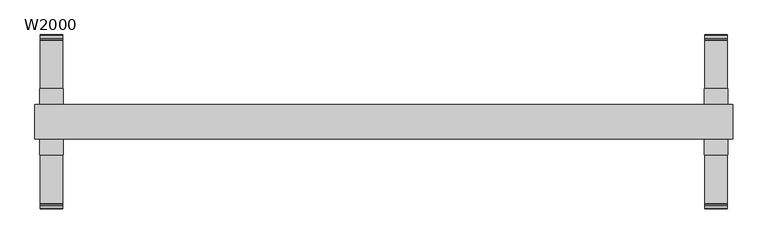
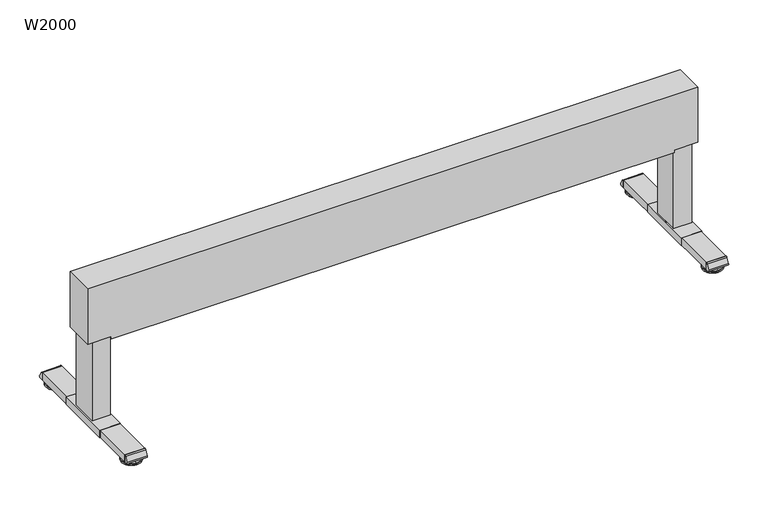
"""IFC4 building model written with IfcOpenShell, lengths in millimetres: furniture geometry, W2000."""

from ifc_helpers import new_model, si_unit, point, frame, frame_2d, origin, place, context, project, spatial, polyline, circle_curve, trimmed, segment, composite_curve, outline, extrude, source, transform, mapped, element, save
from ifc_brep_helpers import plane_surface, cylinder_surface, revolved_surface, advanced_brep


def w2000_fd5ed06e(model_context):
    return source(origin(), model_context, "Body", "SolidModel", [
        extrude(outline(polyline([(81.0, -95.0), (14.0, -95.0), (14.0, 95.0), (81.0, 95.0), (81.0, -95.0)])), frame((0.0, 0.0, 13.4998704), z_axis=(0.0, 0.0, 1.0), x_axis=(1.0, 0.0, 0.0)), (0.0, 0.0, 1.0), 26.0001114),
        extrude(outline(polyline([(1986.0, -95.0), (1919.0, -95.0), (1919.0, 95.0), (1986.0, 95.0), (1986.0, -95.0)])), frame((0.0, 0.0, 13.4998704), z_axis=(0.0, 0.0, 1.0), x_axis=(1.0, 0.0, 0.0)), (0.0, 0.0, 1.0), 26.0001114),
        extrude(outline(composite_curve([segment(polyline([(-235.0, 13.4998704), (-244.6135226, 13.4998704)]), True, "CONTINUOUS"), segment(trimmed(circle_curve(frame_2d((-244.6135226, 18.4998704)), 5.0), [point((-244.6135226, 13.4998704))], [point((-248.9439076, 20.9994236))], False, "CARTESIAN"), True, "CONTINUOUS"), segment(polyline([(-248.9439076, 20.9994236), (-240.2856529, 35.999535)]), True, "CONTINUOUS"), segment(trimmed(circle_curve(frame_2d((-235.9552679, 33.4999819)), 5.0), [point((-240.2856529, 35.999535))], [point((-235.9552679, 38.4999819))], False, "CARTESIAN"), True, "CONTINUOUS"), segment(polyline([(-235.9552679, 38.4999819), (-235.0, 38.4999819), (-235.0, 13.4998704)]), True, "CONTINUOUS")], self_intersect=False)), frame((1920.0, 0.0, 0.0), z_axis=(1.0, 0.0, 0.0), x_axis=(0.0, 1.0, 0.0)), (0.0, 0.0, 1.0), 65.0),
        extrude(outline(composite_curve([segment(polyline([(235.0, 13.4998704), (235.0, 38.4999819), (235.9552679, 38.4999819)]), True, "CONTINUOUS"), segment(trimmed(circle_curve(frame_2d((235.9552679, 33.4999819)), 5.0), [point((235.9552679, 38.4999819))], [point((240.2856529, 35.999535))], False, "CARTESIAN"), True, "CONTINUOUS"), segment(polyline([(240.2856529, 35.999535), (248.9439076, 20.9994236)]), True, "CONTINUOUS"), segment(trimmed(circle_curve(frame_2d((244.6135226, 18.4998704)), 5.0), [point((248.9439076, 20.9994236))], [point((244.6135226, 13.4998704))], False, "CARTESIAN"), True, "CONTINUOUS"), segment(polyline([(244.6135226, 13.4998704), (235.0, 13.4998704)]), True, "CONTINUOUS")], self_intersect=False)), frame((1920.0, 0.0, 0.0), z_axis=(1.0, 0.0, 0.0), x_axis=(0.0, 1.0, 0.0)), (0.0, 0.0, 1.0), 65.0),
        advanced_brep(
        [(1952.5, -215.0, 13.4998704), (1952.5, -207.5, 13.4998704), (1952.5, -222.5, 13.4998704), (1952.5, -207.5, 11.4998704), (1952.5, -222.5, 11.4998704), (1952.5, -205.0071288, 9.0069993), (1952.5, -224.9928712, 9.0069993), (1952.5, -183.4111807, 7.0812515), (1952.5, -246.5888193, 7.0812515), (1952.5, -182.5, 6.0852038), (1952.5, -247.5, 6.0852038), (1952.5, -182.5, 1.0), (1952.5, -247.5, 1.0), (1952.5, -183.5, 0.0), (1952.5, -246.5, 0.0), (1952.5, -215.0, 0.0)],
        [
            (0, 1),
            (1, 2, circle_curve(frame((1952.5, -215.0, 13.4998704), z_axis=(0.0, 0.0, 1.0), x_axis=(0.0, 1.0, 0.0)), 7.5)),
            (2, 0),
            (2, 1, circle_curve(frame((1952.5, -215.0, 13.4998704), z_axis=(0.0, 0.0, 1.0), x_axis=(0.0, 1.0, 0.0)), 7.5)),
            (1, 3),
            (3, 4, circle_curve(frame((1952.5, -215.0, 11.4998704), z_axis=(0.0, 0.0, 1.0), x_axis=(0.0, 1.0, 0.0)), 7.5)),
            (4, 2),
            (4, 3, circle_curve(frame((1952.5, -215.0, 11.4998704), z_axis=(0.0, 0.0, 1.0), x_axis=(0.0, 1.0, 0.0)), 7.5)),
            (3, 5),
            (5, 6, circle_curve(frame((1952.5, -215.0, 9.0069993), z_axis=(0.0, 0.0, 1.0), x_axis=(0.0, 1.0, 0.0)), 9.9928712)),
            (6, 4),
            (6, 5, circle_curve(frame((1952.5, -215.0, 9.0069993), z_axis=(0.0, 0.0, 1.0), x_axis=(0.0, 1.0, 0.0)), 9.9928712)),
            (5, 7),
            (7, 8, circle_curve(frame((1952.5, -215.0, 7.0812515), z_axis=(0.0, 0.0, 1.0), x_axis=(0.0, 1.0, 0.0)), 31.5888193)),
            (8, 6),
            (8, 7, circle_curve(frame((1952.5, -215.0, 7.0812515), z_axis=(0.0, 0.0, 1.0), x_axis=(0.0, 1.0, 0.0)), 31.5888193)),
            (7, 9),
            (9, 10, circle_curve(frame((1952.5, -215.0, 6.0852038), z_axis=(0.0, 0.0, 1.0), x_axis=(0.0, 1.0, 0.0)), 32.5)),
            (10, 8),
            (10, 9, circle_curve(frame((1952.5, -215.0, 6.0852038), z_axis=(0.0, 0.0, 1.0), x_axis=(0.0, 1.0, 0.0)), 32.5)),
            (9, 11),
            (11, 12, circle_curve(frame((1952.5, -215.0, 1.0), z_axis=(0.0, 0.0, 1.0), x_axis=(0.0, 1.0, 0.0)), 32.5)),
            (12, 10),
            (12, 11, circle_curve(frame((1952.5, -215.0, 1.0), z_axis=(0.0, 0.0, 1.0), x_axis=(0.0, 1.0, 0.0)), 32.5)),
            (11, 13),
            (13, 14, circle_curve(frame((1952.5, -215.0, 0.0), z_axis=(0.0, 0.0, 1.0), x_axis=(0.0, 1.0, 0.0)), 31.5)),
            (14, 12),
            (14, 13, circle_curve(frame((1952.5, -215.0, 0.0), z_axis=(0.0, 0.0, 1.0), x_axis=(0.0, 1.0, 0.0)), 31.5)),
            (13, 15),
            (15, 14),
        ],
        [
            plane_surface(frame((1952.5, -215.0, 13.4998704), z_axis=(0.0, 0.0, 1.0), x_axis=(0.0, 1.0, 0.0))),
            cylinder_surface(frame((1952.5, -215.0, -1.9309494), z_axis=(0.0, 0.0, 1.0), x_axis=(0.0, 1.0, 0.0)), 7.5),
            revolved_surface(polyline([(1952.5, -205.0071288, 9.0069993), (1952.5, -207.5, 11.4998704)]), (1952.5, -215.0, -1.9309494), (0.0, 0.0, 1.0)),
            revolved_surface(polyline([(1952.5, -183.4111807, 7.0812515), (1952.5, -205.0071288, 9.0069993)]), (1952.5, -215.0, -1.9309494), (0.0, 0.0, 1.0)),
            revolved_surface(polyline([(1952.5, -182.5, 6.0852038), (1952.5, -183.4111807, 7.0812515)]), (1952.5, -215.0, -1.9309494), (0.0, 0.0, 1.0)),
            cylinder_surface(frame((1952.5, -215.0, -1.9309494), z_axis=(0.0, 0.0, 1.0), x_axis=(0.0, 1.0, 0.0)), 32.5),
            revolved_surface(polyline([(1952.5, -183.5, 0.0), (1952.5, -182.5, 1.0)]), (1952.5, -215.0, -1.9309494), (0.0, 0.0, 1.0)),
            plane_surface(frame((1952.5, -215.0, 0.0), z_axis=(0.0, 0.0, -1.0), x_axis=(0.0, 1.0, 0.0))),
        ],
        [
            (0, [[1, 2, 3]]),
            (0, [[-3, 4, -1]]),
            (1, [[-2, 5, 6, 7]]),
            (1, [[-4, -7, 8, -5]]),
            (2, [[-6, 9, 10, 11]]),
            (2, [[-8, -11, 12, -9]]),
            (3, [[-10, 13, 14, 15]]),
            (3, [[-12, -15, 16, -13]]),
            (4, [[-14, 17, 18, 19]]),
            (4, [[-16, -19, 20, -17]]),
            (5, [[-18, 21, 22, 23]]),
            (5, [[-20, -23, 24, -21]]),
            (6, [[-22, 25, 26, 27]]),
            (6, [[-24, -27, 28, -25]]),
            (7, [[-26, 29, 30]]),
            (7, [[-28, -30, -29]]),
        ],
    ),
        advanced_brep(
        [(1952.5, 222.5, 13.4998704), (1952.5, 207.5, 13.4998704), (1952.5, 215.0, 13.4998704), (1952.5, 222.5, 11.4998704), (1952.5, 207.5, 11.4998704), (1952.5, 224.9928712, 9.0069993), (1952.5, 205.0071288, 9.0069993), (1952.5, 246.5888193, 7.0812515), (1952.5, 183.4111807, 7.0812515), (1952.5, 247.5, 6.0852038), (1952.5, 182.5, 6.0852038), (1952.5, 247.5, 1.0), (1952.5, 182.5, 1.0), (1952.5, 246.5, 0.0), (1952.5, 183.5, 0.0), (1952.5, 215.0, 0.0)],
        [
            (0, 1, circle_curve(frame((1952.5, 215.0, 13.4998704), z_axis=(0.0, 0.0, 1.0), x_axis=(0.0, -1.0, 0.0)), 7.5)),
            (1, 2),
            (2, 0),
            (1, 0, circle_curve(frame((1952.5, 215.0, 13.4998704), z_axis=(0.0, 0.0, 1.0), x_axis=(0.0, -1.0, 0.0)), 7.5)),
            (3, 4, circle_curve(frame((1952.5, 215.0, 11.4998704), z_axis=(0.0, 0.0, 1.0), x_axis=(0.0, -1.0, 0.0)), 7.5)),
            (4, 1),
            (0, 3),
            (4, 3, circle_curve(frame((1952.5, 215.0, 11.4998704), z_axis=(0.0, 0.0, 1.0), x_axis=(0.0, -1.0, 0.0)), 7.5)),
            (5, 6, circle_curve(frame((1952.5, 215.0, 9.0069993), z_axis=(0.0, 0.0, 1.0), x_axis=(0.0, -1.0, 0.0)), 9.9928712)),
            (6, 4),
            (3, 5),
            (6, 5, circle_curve(frame((1952.5, 215.0, 9.0069993), z_axis=(0.0, 0.0, 1.0), x_axis=(0.0, -1.0, 0.0)), 9.9928712)),
            (7, 8, circle_curve(frame((1952.5, 215.0, 7.0812515), z_axis=(0.0, 0.0, 1.0), x_axis=(0.0, -1.0, 0.0)), 31.5888193)),
            (8, 6),
            (5, 7),
            (8, 7, circle_curve(frame((1952.5, 215.0, 7.0812515), z_axis=(0.0, 0.0, 1.0), x_axis=(0.0, -1.0, 0.0)), 31.5888193)),
            (9, 10, circle_curve(frame((1952.5, 215.0, 6.0852038), z_axis=(0.0, 0.0, 1.0), x_axis=(0.0, -1.0, 0.0)), 32.5)),
            (10, 8),
            (7, 9),
            (10, 9, circle_curve(frame((1952.5, 215.0, 6.0852038), z_axis=(0.0, 0.0, 1.0), x_axis=(0.0, -1.0, 0.0)), 32.5)),
            (11, 12, circle_curve(frame((1952.5, 215.0, 1.0), z_axis=(0.0, 0.0, 1.0), x_axis=(0.0, -1.0, 0.0)), 32.5)),
            (12, 10),
            (9, 11),
            (12, 11, circle_curve(frame((1952.5, 215.0, 1.0), z_axis=(0.0, 0.0, 1.0), x_axis=(0.0, -1.0, 0.0)), 32.5)),
            (13, 14, circle_curve(frame((1952.5, 215.0, 0.0), z_axis=(0.0, 0.0, 1.0), x_axis=(0.0, -1.0, 0.0)), 31.5)),
            (14, 12),
            (11, 13),
            (14, 13, circle_curve(frame((1952.5, 215.0, 0.0), z_axis=(0.0, 0.0, 1.0), x_axis=(0.0, -1.0, 0.0)), 31.5)),
            (15, 14),
            (13, 15),
        ],
        [
            plane_surface(frame((1952.5, 215.0, 13.4998704), z_axis=(0.0, 0.0, 1.0), x_axis=(0.0, -1.0, 0.0))),
            cylinder_surface(frame((1952.5, 215.0, -1.9309494), z_axis=(0.0, 0.0, -1.0), x_axis=(0.0, -1.0, 0.0)), 7.5),
            revolved_surface(polyline([(1952.5, 207.5, 11.4998704), (1952.5, 205.0071288, 9.0069993)]), (1952.5, 215.0, -1.9309494), (0.0, 0.0, -1.0)),
            revolved_surface(polyline([(1952.5, 205.0071288, 9.0069993), (1952.5, 183.4111807, 7.0812515)]), (1952.5, 215.0, -1.9309494), (0.0, 0.0, -1.0)),
            revolved_surface(polyline([(1952.5, 183.4111807, 7.0812515), (1952.5, 182.5, 6.0852038)]), (1952.5, 215.0, -1.9309494), (0.0, 0.0, -1.0)),
            cylinder_surface(frame((1952.5, 215.0, -1.9309494), z_axis=(0.0, 0.0, -1.0), x_axis=(0.0, -1.0, 0.0)), 32.5),
            revolved_surface(polyline([(1952.5, 182.5, 1.0), (1952.5, 183.5, 0.0)]), (1952.5, 215.0, -1.9309494), (0.0, 0.0, -1.0)),
            plane_surface(frame((1952.5, 215.0, 0.0), z_axis=(0.0, 0.0, -1.0), x_axis=(0.0, -1.0, 0.0))),
        ],
        [
            (0, [[1, 2, 3]]),
            (0, [[4, -3, -2]]),
            (1, [[5, 6, -1, 7]]),
            (1, [[8, -7, -4, -6]]),
            (2, [[9, 10, -5, 11]]),
            (2, [[12, -11, -8, -10]]),
            (3, [[13, 14, -9, 15]]),
            (3, [[16, -15, -12, -14]]),
            (4, [[17, 18, -13, 19]]),
            (4, [[20, -19, -16, -18]]),
            (5, [[21, 22, -17, 23]]),
            (5, [[24, -23, -20, -22]]),
            (6, [[25, 26, -21, 27]]),
            (6, [[28, -27, -24, -26]]),
            (7, [[29, -25, 30]]),
            (7, [[-30, -28, -29]]),
        ],
    ),
        extrude(outline(composite_curve([segment(polyline([(-235.0, 13.4998704), (-244.6135226, 13.4998704)]), True, "CONTINUOUS"), segment(trimmed(circle_curve(frame_2d((-244.6135226, 18.4998704)), 5.0), [point((-244.6135226, 13.4998704))], [point((-248.9439076, 20.9994236))], False, "CARTESIAN"), True, "CONTINUOUS"), segment(polyline([(-248.9439076, 20.9994236), (-240.2856529, 35.999535)]), True, "CONTINUOUS"), segment(trimmed(circle_curve(frame_2d((-235.9552679, 33.4999819)), 5.0), [point((-240.2856529, 35.999535))], [point((-235.9552679, 38.4999819))], False, "CARTESIAN"), True, "CONTINUOUS"), segment(polyline([(-235.9552679, 38.4999819), (-235.0, 38.4999819), (-235.0, 13.4998704)]), True, "CONTINUOUS")], self_intersect=False)), frame((15.0, 0.0, 0.0), z_axis=(1.0, 0.0, 0.0), x_axis=(0.0, 1.0, 0.0)), (0.0, 0.0, 1.0), 65.0),
        extrude(outline(composite_curve([segment(polyline([(235.0, 13.4998704), (235.0, 38.4999819), (235.9552679, 38.4999819)]), True, "CONTINUOUS"), segment(trimmed(circle_curve(frame_2d((235.9552679, 33.4999819)), 5.0), [point((235.9552679, 38.4999819))], [point((240.2856529, 35.999535))], False, "CARTESIAN"), True, "CONTINUOUS"), segment(polyline([(240.2856529, 35.999535), (248.9439076, 20.9994236)]), True, "CONTINUOUS"), segment(trimmed(circle_curve(frame_2d((244.6135226, 18.4998704)), 5.0), [point((248.9439076, 20.9994236))], [point((244.6135226, 13.4998704))], False, "CARTESIAN"), True, "CONTINUOUS"), segment(polyline([(244.6135226, 13.4998704), (235.0, 13.4998704)]), True, "CONTINUOUS")], self_intersect=False)), frame((15.0, 0.0, 0.0), z_axis=(1.0, 0.0, 0.0), x_axis=(0.0, 1.0, 0.0)), (0.0, 0.0, 1.0), 65.0),
        advanced_brep(
        [(47.5, -222.5, 13.4998704), (47.5, -207.5, 13.4998704), (47.5, -215.0, 13.4998704), (47.5, -222.5, 11.4998704), (47.5, -207.5, 11.4998704), (47.5, -224.9928712, 9.0069993), (47.5, -205.0071288, 9.0069993), (47.5, -246.5888193, 7.0812515), (47.5, -183.4111807, 7.0812515), (47.5, -247.5, 6.0852038), (47.5, -182.5, 6.0852038), (47.5, -247.5, 1.0), (47.5, -182.5, 1.0), (47.5, -246.5, 0.0), (47.5, -183.5, 0.0), (47.5, -215.0, 0.0)],
        [
            (0, 1, circle_curve(frame((47.5, -215.0, 13.4998704), z_axis=(0.0, 0.0, 1.0), x_axis=(0.0, 1.0, 0.0)), 7.5)),
            (1, 2),
            (2, 0),
            (1, 0, circle_curve(frame((47.5, -215.0, 13.4998704), z_axis=(0.0, 0.0, 1.0), x_axis=(0.0, 1.0, 0.0)), 7.5)),
            (3, 4, circle_curve(frame((47.5, -215.0, 11.4998704), z_axis=(0.0, 0.0, 1.0), x_axis=(0.0, 1.0, 0.0)), 7.5)),
            (4, 1),
            (0, 3),
            (4, 3, circle_curve(frame((47.5, -215.0, 11.4998704), z_axis=(0.0, 0.0, 1.0), x_axis=(0.0, 1.0, 0.0)), 7.5)),
            (5, 6, circle_curve(frame((47.5, -215.0, 9.0069993), z_axis=(0.0, 0.0, 1.0), x_axis=(0.0, 1.0, 0.0)), 9.9928712)),
            (6, 4),
            (3, 5),
            (6, 5, circle_curve(frame((47.5, -215.0, 9.0069993), z_axis=(0.0, 0.0, 1.0), x_axis=(0.0, 1.0, 0.0)), 9.9928712)),
            (7, 8, circle_curve(frame((47.5, -215.0, 7.0812515), z_axis=(0.0, 0.0, 1.0), x_axis=(0.0, 1.0, 0.0)), 31.5888193)),
            (8, 6),
            (5, 7),
            (8, 7, circle_curve(frame((47.5, -215.0, 7.0812515), z_axis=(0.0, 0.0, 1.0), x_axis=(0.0, 1.0, 0.0)), 31.5888193)),
            (9, 10, circle_curve(frame((47.5, -215.0, 6.0852038), z_axis=(0.0, 0.0, 1.0), x_axis=(0.0, 1.0, 0.0)), 32.5)),
            (10, 8),
            (7, 9),
            (10, 9, circle_curve(frame((47.5, -215.0, 6.0852038), z_axis=(0.0, 0.0, 1.0), x_axis=(0.0, 1.0, 0.0)), 32.5)),
            (11, 12, circle_curve(frame((47.5, -215.0, 1.0), z_axis=(0.0, 0.0, 1.0), x_axis=(0.0, 1.0, 0.0)), 32.5)),
            (12, 10),
            (9, 11),
            (12, 11, circle_curve(frame((47.5, -215.0, 1.0), z_axis=(0.0, 0.0, 1.0), x_axis=(0.0, 1.0, 0.0)), 32.5)),
            (13, 14, circle_curve(frame((47.5, -215.0, 0.0), z_axis=(0.0, 0.0, 1.0), x_axis=(0.0, 1.0, 0.0)), 31.5)),
            (14, 12),
            (11, 13),
            (14, 13, circle_curve(frame((47.5, -215.0, 0.0), z_axis=(0.0, 0.0, 1.0), x_axis=(0.0, 1.0, 0.0)), 31.5)),
            (15, 14),
            (13, 15),
        ],
        [
            plane_surface(frame((47.5, -215.0, 13.4998704), z_axis=(0.0, 0.0, 1.0), x_axis=(0.0, 1.0, 0.0))),
            cylinder_surface(frame((47.5, -215.0, -1.9309494), z_axis=(0.0, 0.0, -1.0), x_axis=(0.0, 1.0, 0.0)), 7.5),
            revolved_surface(polyline([(47.5, -207.5, 11.4998704), (47.5, -205.0071288, 9.0069993)]), (47.5, -215.0, -1.9309494), (0.0, 0.0, -1.0)),
            revolved_surface(polyline([(47.5, -205.0071288, 9.0069993), (47.5, -183.4111807, 7.0812515)]), (47.5, -215.0, -1.9309494), (0.0, 0.0, -1.0)),
            revolved_surface(polyline([(47.5, -183.4111807, 7.0812515), (47.5, -182.5, 6.0852038)]), (47.5, -215.0, -1.9309494), (0.0, 0.0, -1.0)),
            cylinder_surface(frame((47.5, -215.0, -1.9309494), z_axis=(0.0, 0.0, -1.0), x_axis=(0.0, 1.0, 0.0)), 32.5),
            revolved_surface(polyline([(47.5, -182.5, 1.0), (47.5, -183.5, 0.0)]), (47.5, -215.0, -1.9309494), (0.0, 0.0, -1.0)),
            plane_surface(frame((47.5, -215.0, 0.0), z_axis=(0.0, 0.0, -1.0), x_axis=(0.0, 1.0, 0.0))),
        ],
        [
            (0, [[1, 2, 3]]),
            (0, [[4, -3, -2]]),
            (1, [[5, 6, -1, 7]]),
            (1, [[8, -7, -4, -6]]),
            (2, [[9, 10, -5, 11]]),
            (2, [[12, -11, -8, -10]]),
            (3, [[13, 14, -9, 15]]),
            (3, [[16, -15, -12, -14]]),
            (4, [[17, 18, -13, 19]]),
            (4, [[20, -19, -16, -18]]),
            (5, [[21, 22, -17, 23]]),
            (5, [[24, -23, -20, -22]]),
            (6, [[25, 26, -21, 27]]),
            (6, [[28, -27, -24, -26]]),
            (7, [[29, -25, 30]]),
            (7, [[-30, -28, -29]]),
        ],
    ),
        advanced_brep(
        [(47.5, 215.0, 13.4998704), (47.5, 207.5, 13.4998704), (47.5, 222.5, 13.4998704), (47.5, 207.5, 11.4998704), (47.5, 222.5, 11.4998704), (47.5, 205.0071288, 9.0069993), (47.5, 224.9928712, 9.0069993), (47.5, 183.4111807, 7.0812515), (47.5, 246.5888193, 7.0812515), (47.5, 182.5, 6.0852038), (47.5, 247.5, 6.0852038), (47.5, 182.5, 1.0), (47.5, 247.5, 1.0), (47.5, 183.5, 0.0), (47.5, 246.5, 0.0), (47.5, 215.0, 0.0)],
        [
            (0, 1),
            (1, 2, circle_curve(frame((47.5, 215.0, 13.4998704), z_axis=(0.0, 0.0, 1.0), x_axis=(0.0, -1.0, 0.0)), 7.5)),
            (2, 0),
            (2, 1, circle_curve(frame((47.5, 215.0, 13.4998704), z_axis=(0.0, 0.0, 1.0), x_axis=(0.0, -1.0, 0.0)), 7.5)),
            (1, 3),
            (3, 4, circle_curve(frame((47.5, 215.0, 11.4998704), z_axis=(0.0, 0.0, 1.0), x_axis=(0.0, -1.0, 0.0)), 7.5)),
            (4, 2),
            (4, 3, circle_curve(frame((47.5, 215.0, 11.4998704), z_axis=(0.0, 0.0, 1.0), x_axis=(0.0, -1.0, 0.0)), 7.5)),
            (3, 5),
            (5, 6, circle_curve(frame((47.5, 215.0, 9.0069993), z_axis=(0.0, 0.0, 1.0), x_axis=(0.0, -1.0, 0.0)), 9.9928712)),
            (6, 4),
            (6, 5, circle_curve(frame((47.5, 215.0, 9.0069993), z_axis=(0.0, 0.0, 1.0), x_axis=(0.0, -1.0, 0.0)), 9.9928712)),
            (5, 7),
            (7, 8, circle_curve(frame((47.5, 215.0, 7.0812515), z_axis=(0.0, 0.0, 1.0), x_axis=(0.0, -1.0, 0.0)), 31.5888193)),
            (8, 6),
            (8, 7, circle_curve(frame((47.5, 215.0, 7.0812515), z_axis=(0.0, 0.0, 1.0), x_axis=(0.0, -1.0, 0.0)), 31.5888193)),
            (7, 9),
            (9, 10, circle_curve(frame((47.5, 215.0, 6.0852038), z_axis=(0.0, 0.0, 1.0), x_axis=(0.0, -1.0, 0.0)), 32.5)),
            (10, 8),
            (10, 9, circle_curve(frame((47.5, 215.0, 6.0852038), z_axis=(0.0, 0.0, 1.0), x_axis=(0.0, -1.0, 0.0)), 32.5)),
            (9, 11),
            (11, 12, circle_curve(frame((47.5, 215.0, 1.0), z_axis=(0.0, 0.0, 1.0), x_axis=(0.0, -1.0, 0.0)), 32.5)),
            (12, 10),
            (12, 11, circle_curve(frame((47.5, 215.0, 1.0), z_axis=(0.0, 0.0, 1.0), x_axis=(0.0, -1.0, 0.0)), 32.5)),
            (11, 13),
            (13, 14, circle_curve(frame((47.5, 215.0, 0.0), z_axis=(0.0, 0.0, 1.0), x_axis=(0.0, -1.0, 0.0)), 31.5)),
            (14, 12),
            (14, 13, circle_curve(frame((47.5, 215.0, 0.0), z_axis=(0.0, 0.0, 1.0), x_axis=(0.0, -1.0, 0.0)), 31.5)),
            (13, 15),
            (15, 14),
        ],
        [
            plane_surface(frame((47.5, 215.0, 13.4998704), z_axis=(0.0, 0.0, 1.0), x_axis=(0.0, -1.0, 0.0))),
            cylinder_surface(frame((47.5, 215.0, -1.9309494), z_axis=(0.0, 0.0, 1.0), x_axis=(0.0, -1.0, 0.0)), 7.5),
            revolved_surface(polyline([(47.5, 205.0071288, 9.0069993), (47.5, 207.5, 11.4998704)]), (47.5, 215.0, -1.9309494), (0.0, 0.0, 1.0)),
            revolved_surface(polyline([(47.5, 183.4111807, 7.0812515), (47.5, 205.0071288, 9.0069993)]), (47.5, 215.0, -1.9309494), (0.0, 0.0, 1.0)),
            revolved_surface(polyline([(47.5, 182.5, 6.0852038), (47.5, 183.4111807, 7.0812515)]), (47.5, 215.0, -1.9309494), (0.0, 0.0, 1.0)),
            cylinder_surface(frame((47.5, 215.0, -1.9309494), z_axis=(0.0, 0.0, 1.0), x_axis=(0.0, -1.0, 0.0)), 32.5),
            revolved_surface(polyline([(47.5, 183.5, 0.0), (47.5, 182.5, 1.0)]), (47.5, 215.0, -1.9309494), (0.0, 0.0, 1.0)),
            plane_surface(frame((47.5, 215.0, 0.0), z_axis=(0.0, 0.0, -1.0), x_axis=(0.0, -1.0, 0.0))),
        ],
        [
            (0, [[1, 2, 3]]),
            (0, [[-3, 4, -1]]),
            (1, [[-2, 5, 6, 7]]),
            (1, [[-4, -7, 8, -5]]),
            (2, [[-6, 9, 10, 11]]),
            (2, [[-8, -11, 12, -9]]),
            (3, [[-10, 13, 14, 15]]),
            (3, [[-12, -15, 16, -13]]),
            (4, [[-14, 17, 18, 19]]),
            (4, [[-16, -19, 20, -17]]),
            (5, [[-18, 21, 22, 23]]),
            (5, [[-20, -23, 24, -21]]),
            (6, [[-22, 25, 26, 27]]),
            (6, [[-24, -27, 28, -25]]),
            (7, [[-26, 29, 30]]),
            (7, [[-28, -30, -29]]),
        ],
    ),
        extrude(outline(polyline([(80.0, -235.0), (15.0, -235.0), (15.0, 235.0), (80.0, 235.0), (80.0, -235.0)])), frame((0.0, 0.0, 13.4998704), z_axis=(0.0, 0.0, 1.0), x_axis=(1.0, 0.0, 0.0)), (0.0, 0.0, 1.0), 25.0001114),
        extrude(outline(polyline([(1985.0, -235.0), (1920.0, -235.0), (1920.0, 235.0), (1985.0, 235.0), (1985.0, -235.0)])), frame((0.0, 0.0, 13.4998704), z_axis=(0.0, 0.0, 1.0), x_axis=(1.0, 0.0, 0.0)), (0.0, 0.0, 1.0), 25.0001114),
        extrude(outline(polyline([(506.0, 2000.0), (506.0, 0.0), (315.0, 0.0), (315.0, 77.5), (306.0, 77.5), (306.0, 1922.5), (315.0, 1922.5), (315.0, 2000.0), (506.0, 2000.0)])), frame((0.0, -50.0, 0.0), z_axis=(0.0, 1.0, 0.0), x_axis=(0.0, 0.0, 1.0)), (0.0, 0.0, 1.0), 100.0),
        extrude(outline(polyline([(77.5, 45.0), (77.5, -45.0), (17.5, -45.0), (17.5, 45.0), (77.5, 45.0)])), frame((0.0, 0.0, 39.4998704), z_axis=(0.0, 0.0, 1.0), x_axis=(1.0, 0.0, 0.0)), (0.0, 0.0, 1.0), 275.5001296),
        extrude(outline(polyline([(1922.5, 45.0), (1982.5, 45.0), (1982.5, -45.0), (1922.5, -45.0), (1922.5, 45.0)])), frame((0.0, 0.0, 39.4998704), z_axis=(0.0, 0.0, 1.0), x_axis=(1.0, 0.0, 0.0)), (0.0, 0.0, 1.0), 275.5001296),
    ])


if __name__ == "__main__":
    model = new_model("IFC4")
    model_context = context("Model", 3, world=origin())
    ifc_project = project(units=[si_unit("LENGTHUNIT", "METRE", prefix="MILLI")], contexts=[model_context])
    site = spatial("IfcSite", under=ifc_project)
    building = spatial("IfcBuilding", under=site)
    placement = place(None, origin())
    w2000_shape = w2000_fd5ed06e(model_context)
    element("IfcFurniture", 1, ObjectType="W2000", at=placement, inside=building, context=model_context, shape_type="MappedRepresentation", body=[
        mapped(w2000_shape, transform((0.0, 0.0, 0.0), x_axis=(1.0, 0.0, 0.0), y_axis=(0.0, 1.0, 0.0), z_axis=(0.0, 0.0, 1.0))),
    ])
    save(model, "model.ifc")
